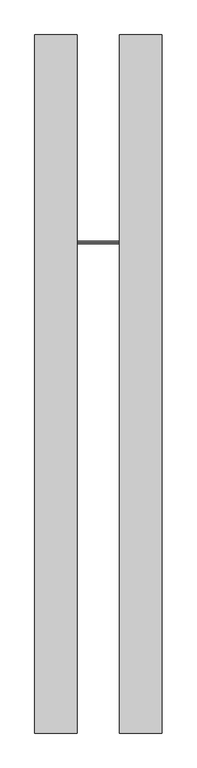
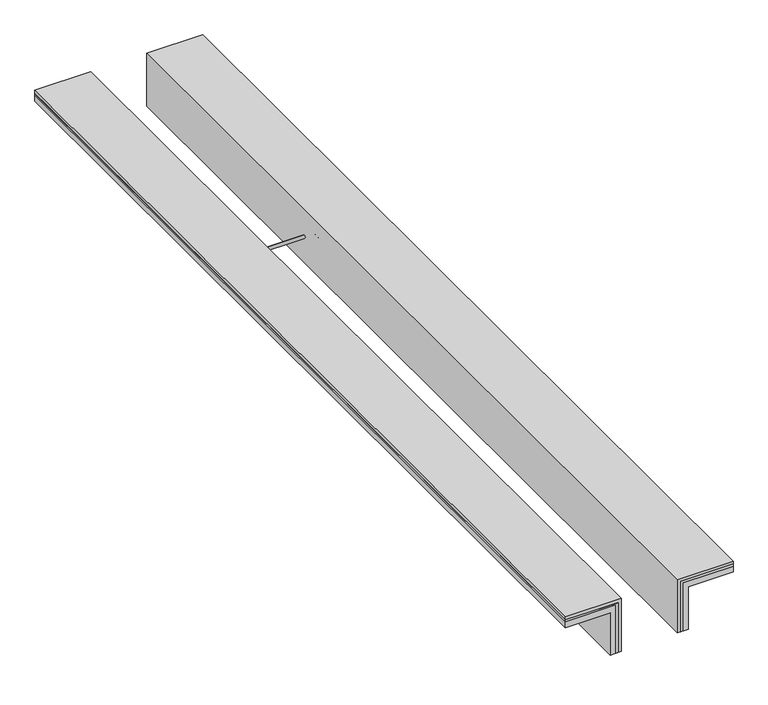
"""IFC4 building model written with IfcOpenShell, lengths in millimetres: proxy geometry."""

from ifc_helpers import new_model, si_unit, frame, origin, place, context, project, spatial, polyline, circle_curve, outline, extrude, source, transform, mapped, element, save
from ifc_brep_helpers import plane_surface, cylinder_surface, revolved_surface, advanced_brep


def generic_models_d30cd935(model_context):
    return source(origin(), model_context, "Body", "SolidModel", [
        advanced_brep(
        [(185.9351118, 2887.6565316, 101.3882588), (185.9351118, 2887.6565316, 145.9842478), (185.9351118, 2887.6565316, 125.9842478), (185.9351118, 2887.6565316, 121.3882588), (175.0, 2887.6565316, 101.3882588), (175.0, 2887.6565316, 145.9842478), (175.0, 2887.6565316, 116.3882588), (175.0, 2887.6565316, 130.9842478), (-175.0, 2887.6565316, 116.3882588), (-175.0, 2887.6565316, 130.9842478), (-175.0, 2887.6565316, 101.3882588), (-175.0, 2887.6565316, 145.9842478), (-184.0648882, 2887.6565316, 101.3882588), (-184.0648882, 2887.6565316, 145.9842478), (-184.0648882, 2887.6565316, 121.3882588), (-184.0648882, 2887.6565316, 125.9842478)],
        [
            (0, 1, circle_curve(frame((185.9351118, 2887.6565316, 123.6862533), z_axis=(1.0, 0.0, 0.0), x_axis=(0.0, 0.0, 1.0)), 22.2979945)),
            (1, 2),
            (2, 3, circle_curve(frame((185.9351118, 2887.6565316, 123.6862533), z_axis=(-1.0, 0.0, 0.0), x_axis=(0.0, 0.0, 1.0)), 2.2979945)),
            (3, 0),
            (1, 0, circle_curve(frame((185.9351118, 2887.6565316, 123.6862533), z_axis=(1.0, 0.0, 0.0), x_axis=(0.0, 0.0, 1.0)), 22.2979945)),
            (3, 2, circle_curve(frame((185.9351118, 2887.6565316, 123.6862533), z_axis=(-1.0, 0.0, 0.0), x_axis=(0.0, 0.0, 1.0)), 2.2979945)),
            (4, 5, circle_curve(frame((175.0, 2887.6565316, 123.6862533), z_axis=(1.0, 0.0, 0.0), x_axis=(0.0, 0.0, 1.0)), 22.2979945)),
            (5, 1),
            (0, 4),
            (5, 4, circle_curve(frame((175.0, 2887.6565316, 123.6862533), z_axis=(1.0, 0.0, 0.0), x_axis=(0.0, 0.0, 1.0)), 22.2979945)),
            (6, 7, circle_curve(frame((175.0, 2887.6565316, 123.6862533), z_axis=(1.0, 0.0, 0.0), x_axis=(0.0, 0.0, 1.0)), 7.2979945)),
            (7, 5),
            (4, 6),
            (7, 6, circle_curve(frame((175.0, 2887.6565316, 123.6862533), z_axis=(1.0, 0.0, 0.0), x_axis=(0.0, 0.0, 1.0)), 7.2979945)),
            (8, 9, circle_curve(frame((-175.0, 2887.6565316, 123.6862533), z_axis=(1.0, 0.0, 0.0), x_axis=(0.0, 0.0, 1.0)), 7.2979945)),
            (9, 7),
            (6, 8),
            (9, 8, circle_curve(frame((-175.0, 2887.6565316, 123.6862533), z_axis=(1.0, 0.0, 0.0), x_axis=(0.0, 0.0, 1.0)), 7.2979945)),
            (10, 11, circle_curve(frame((-175.0, 2887.6565316, 123.6862533), z_axis=(1.0, 0.0, 0.0), x_axis=(0.0, 0.0, 1.0)), 22.2979945)),
            (11, 9),
            (8, 10),
            (11, 10, circle_curve(frame((-175.0, 2887.6565316, 123.6862533), z_axis=(1.0, 0.0, 0.0), x_axis=(0.0, 0.0, 1.0)), 22.2979945)),
            (12, 13, circle_curve(frame((-184.0648882, 2887.6565316, 123.6862533), z_axis=(1.0, 0.0, 0.0), x_axis=(0.0, 0.0, 1.0)), 22.2979945)),
            (13, 11),
            (10, 12),
            (13, 12, circle_curve(frame((-184.0648882, 2887.6565316, 123.6862533), z_axis=(1.0, 0.0, 0.0), x_axis=(0.0, 0.0, 1.0)), 22.2979945)),
            (14, 15, circle_curve(frame((-184.0648882, 2887.6565316, 123.6862533), z_axis=(1.0, 0.0, 0.0), x_axis=(0.0, 0.0, 1.0)), 2.2979945)),
            (15, 13),
            (12, 14),
            (15, 14, circle_curve(frame((-184.0648882, 2887.6565316, 123.6862533), z_axis=(1.0, 0.0, 0.0), x_axis=(0.0, 0.0, 1.0)), 2.2979945)),
            (2, 15),
            (14, 3),
        ],
        [
            plane_surface(frame((185.9351118, 2887.6565316, 123.6862533), z_axis=(1.0, 0.0, 0.0), x_axis=(0.0, 0.0, 1.0))),
            cylinder_surface(frame((-28.6747099, 2887.6565316, 123.6862533), z_axis=(-1.0, 0.0, 0.0), x_axis=(0.0, 0.0, 1.0)), 22.2979945),
            plane_surface(frame((175.0, 2887.6565316, 123.6862533), z_axis=(-1.0, 0.0, 0.0), x_axis=(0.0, 0.0, 1.0))),
            cylinder_surface(frame((-28.6747099, 2887.6565316, 123.6862533), z_axis=(-1.0, 0.0, 0.0), x_axis=(0.0, 0.0, 1.0)), 7.2979945),
            plane_surface(frame((-175.0, 2887.6565316, 123.6862533), z_axis=(1.0, 0.0, 0.0), x_axis=(0.0, 0.0, 1.0))),
            plane_surface(frame((-184.0648882, 2887.6565316, 123.6862533), z_axis=(-1.0, 0.0, 0.0), x_axis=(0.0, 0.0, 1.0))),
            revolved_surface(polyline([(-184.0648882, 2887.6565316, 125.9842478), (185.9351118, 2887.6565316, 125.9842478)]), (-28.6747099, 2887.6565316, 123.6862533), (-1.0, 0.0, 0.0)),
        ],
        [
            (0, [[1, 2, 3, 4]]),
            (0, [[5, -4, 6, -2]]),
            (1, [[7, 8, -1, 9]]),
            (1, [[10, -9, -5, -8]]),
            (2, [[11, 12, -7, 13]]),
            (2, [[14, -13, -10, -12]]),
            (3, [[15, 16, -11, 17]]),
            (3, [[18, -17, -14, -16]]),
            (4, [[19, 20, -15, 21]]),
            (4, [[22, -21, -18, -20]]),
            (1, [[23, 24, -19, 25]]),
            (1, [[26, -25, -22, -24]]),
            (5, [[27, 28, -23, 29]]),
            (5, [[30, -29, -26, -28]]),
            (6, [[-3, 31, -27, 32]]),
            (6, [[-6, -32, -30, -31]]),
        ],
    ),
        extrude(outline(polyline([(235.5459331, -139.1197224), (235.5459331, -375.0), (228.035124, -375.0), (228.035124, -149.1197224), (0.0, -149.1197224), (0.0, -139.1197224), (235.5459331, -139.1197224)])), frame((0.0, 0.0, 0.0), z_axis=(0.0, 1.0, 0.0), x_axis=(0.0, 0.0, 1.0)), (0.0, 0.0, 1.0), 4107.9763243),
        extrude(outline(polyline([(0.0, 140.8802776), (0.0, 150.8802776), (228.0308778, 150.8802776), (228.0308778, 375.0), (237.6671083, 375.0), (237.6671083, 140.8802776), (0.0, 140.8802776)])), frame((0.0, 0.0, 0.0), z_axis=(0.0, 1.0, 0.0), x_axis=(0.0, 0.0, 1.0)), (0.0, 0.0, 1.0), 4107.9763243),
        extrude(outline(polyline([(250.0, -375.0), (200.0, -375.0), (200.0, -175.0), (0.0, -175.0), (0.0, -125.0), (250.0, -125.0), (250.0, -375.0)])), frame((0.0, 0.0, 0.0), z_axis=(0.0, 1.0, 0.0), x_axis=(0.0, 0.0, 1.0)), (0.0, 0.0, 1.0), 4107.9763243),
        extrude(outline(polyline([(250.0, 125.0), (0.0, 125.0), (0.0, 175.0), (200.0, 175.0), (200.0, 375.0), (250.0, 375.0), (250.0, 125.0)])), frame((0.0, 0.0, 0.0), z_axis=(0.0, 1.0, 0.0), x_axis=(0.0, 0.0, 1.0)), (0.0, 0.0, 1.0), 4107.9763243),
    ])


if __name__ == "__main__":
    model = new_model("IFC4")
    model_context = context("Model", 3, world=origin())
    ifc_project = project(units=[si_unit("LENGTHUNIT", "METRE", prefix="MILLI")], contexts=[model_context])
    site = spatial("IfcSite", under=ifc_project)
    building = spatial("IfcBuilding", under=site)
    placement = place(None, origin())
    generic_models_shape = generic_models_d30cd935(model_context)
    element("IfcBuildingElementProxy", 1, Name="Generic Models", at=placement, inside=building, context=model_context, shape_type="MappedRepresentation", body=[
        mapped(generic_models_shape, transform((0.0, 0.0, 0.0), x_axis=(1.0, 0.0, 0.0), y_axis=(0.0, 1.0, 0.0), z_axis=(0.0, 0.0, 1.0))),
    ])
    save(model, "model.ifc")
